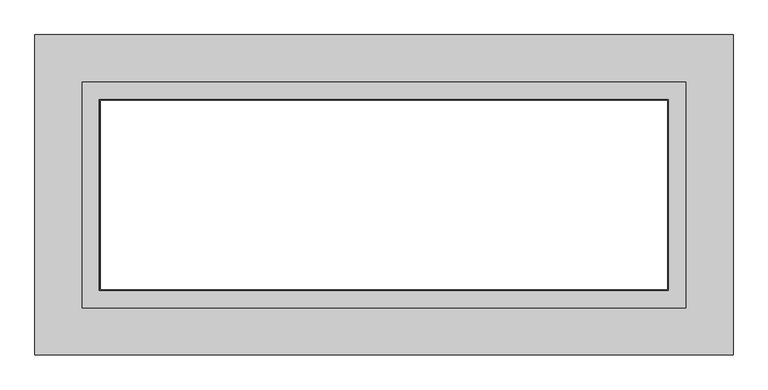
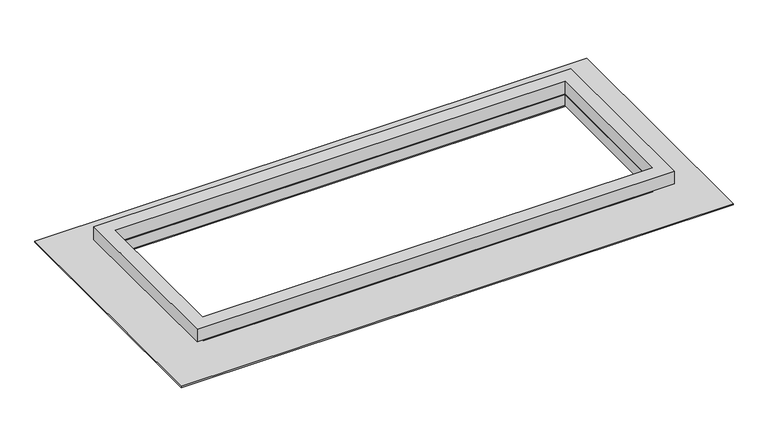
"""IFC4 building model written with IfcOpenShell, lengths in millimetres: proxy geometry."""

from ifc_helpers import new_model, si_unit, frame, origin, origin_with_axes, place, context, project, spatial, polyline, outline, extrude, source, transform, mapped, element, save


def generic_models_a0fe5855(model_context):
    return source(origin(), model_context, "Body", "SweptSolid", [
        extrude(outline(polyline([(672.3126, 251.4981), (672.3126, -251.4981), (-672.3126, -251.4981), (-672.3126, 251.4981), (672.3126, 251.4981)]), holes=[polyline([(-633.984, 213.1695), (-633.984, -213.1695), (633.349, -213.1695), (633.349, 213.1695), (-633.984, 213.1695)])]), frame((0.0, 0.0, 35.56), z_axis=(0.0, 0.0, 1.0), x_axis=(1.0, 0.0, 0.0)), (0.0, 0.0, 1.0), 38.1),
        extrude(outline(polyline([(633.349, 215.4809), (633.349, -215.4809), (-633.349, -215.4809), (-633.349, 215.4809), (633.349, 215.4809)]), holes=[polyline([(-631.09475, 210.2866), (-631.09475, -210.2866), (631.09475, -210.2866), (631.09475, 210.2866), (-631.09475, 210.2866)])]), frame((0.0, 0.0, 3.81), z_axis=(0.0, 0.0, 1.0), x_axis=(1.0, 0.0, 0.0)), (0.0, 0.0, 1.0), 31.75),
        extrude(outline(polyline([(777.875, 357.124), (777.875, -357.124), (-777.875, -357.124), (-777.875, 357.124), (777.875, 357.124)]), holes=[polyline([(-634.1364, 210.2866), (-634.1364, -210.2866), (634.1364, -210.2866), (634.1364, 210.2866), (-634.1364, 210.2866)])]), origin_with_axes(), (0.0, 0.0, 1.0), 3.81),
    ])


if __name__ == "__main__":
    model = new_model("IFC4")
    model_context = context("Model", 3, world=origin())
    ifc_project = project(units=[si_unit("LENGTHUNIT", "METRE", prefix="MILLI")], contexts=[model_context])
    site = spatial("IfcSite", under=ifc_project)
    building = spatial("IfcBuilding", under=site)
    placement = place(None, origin())
    generic_models_shape = generic_models_a0fe5855(model_context)
    element("IfcBuildingElementProxy", 1, Name="Generic Models", at=placement, inside=building, context=model_context, shape_type="MappedRepresentation", body=[
        mapped(generic_models_shape, transform((0.0, 0.0, 0.0), x_axis=(1.0, 0.0, 0.0), y_axis=(0.0, 1.0, 0.0), z_axis=(0.0, 0.0, 1.0))),
    ])
    save(model, "model.ifc")
